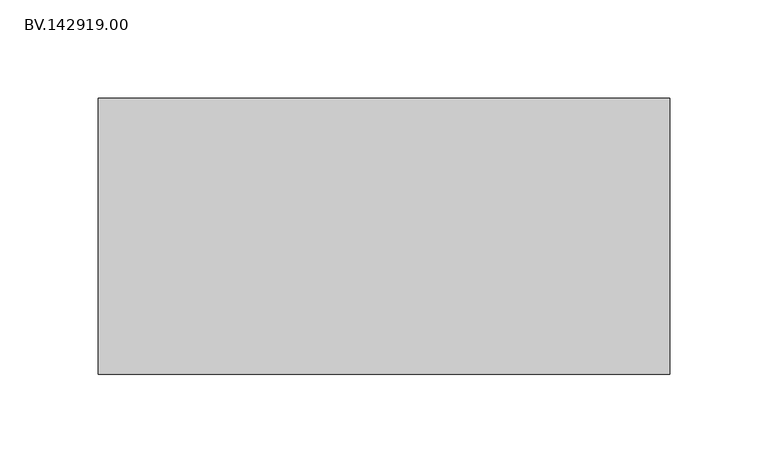
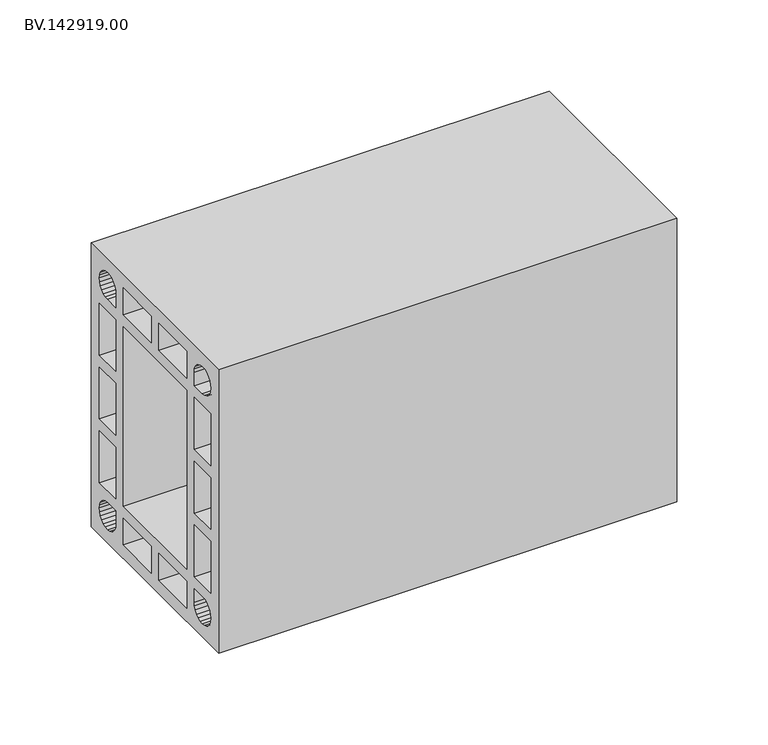
"""IFC4 building model written with IfcOpenShell, lengths in millimetres: proxy geometry, BV.142919.00."""

from ifc_helpers import new_model, si_unit, frame, origin, place, context, project, spatial, polyline, outline, extrude, source, transform, mapped, element, save


def bv_142919_00_2dee89c8(model_context):
    return source(origin(), model_context, "Body", "SweptSolid", [
        extrude(outline(polyline([(-70.0050293, 189.9977051), (70.0050293, 189.9977051), (70.0050293, 0.0), (-70.0050293, 0.0), (-70.0050293, 189.9977051)]), holes=[polyline([(35.0025146, 154.9858887), (-34.9839111, 154.9858887), (-34.9839111, 34.9932129), (35.0025146, 34.9932129), (35.0025146, 154.9858887)]), polyline([(-34.9839111, 162.9854004), (-3.9904541, 162.9854004), (-3.9904541, 180.9936035), (-34.9839111, 180.9936035), (-34.9839111, 162.9854004)]), polyline([(4.0090576, 162.9854004), (35.0025146, 162.9854004), (35.0025146, 180.9936035), (4.0090576, 180.9936035), (4.0090576, 162.9854004)]), polyline([(4.0090576, 26.9937012), (4.0090576, 8.985498), (35.0025146, 8.985498), (35.0025146, 26.9937012), (4.0090576, 26.9937012)]), polyline([(-3.9904541, 26.9937012), (-34.9839111, 26.9937012), (-34.9839111, 8.985498), (-3.9904541, 8.985498), (-3.9904541, 26.9937012)]), polyline([(-51.9875244, 26.9937012), (-54.3129639, 26.6960449), (-56.4895752, 25.7844727), (-58.3499268, 24.352002), (-59.7823975, 22.4916504), (-60.6939697, 20.3150391), (-60.991626, 17.9895996), (-60.6939697, 15.6641602), (-59.7823975, 13.4875488), (-58.3499268, 11.6271973), (-56.4895752, 10.1947266), (-54.3129639, 9.3017578), (-51.9875244, 8.985498), (-49.662085, 9.3017578), (-47.4854736, 10.1947266), (-45.6251221, 11.6271973), (-44.1926514, 13.4875488), (-43.2996826, 15.6641602), (-42.9834229, 17.9895996), (-42.9834229, 26.9937012), (-51.9875244, 26.9937012)]), polyline([(-42.9834229, 112.3280273), (-60.991626, 112.3280273), (-60.991626, 77.6510742), (-42.9834229, 77.6510742), (-42.9834229, 112.3280273)]), polyline([(-60.991626, 154.9858887), (-60.991626, 120.3275391), (-42.9834229, 120.3275391), (-42.9834229, 154.9858887), (-60.991626, 154.9858887)]), polyline([(-60.991626, 69.6515625), (-60.991626, 34.9932129), (-42.9834229, 34.9932129), (-42.9834229, 69.6515625), (-60.991626, 69.6515625)]), polyline([(-51.9875244, 162.9854004), (-42.9834229, 162.9854004), (-42.9834229, 171.989502), (-43.2996826, 174.3149414), (-44.1926514, 176.4915527), (-45.6251221, 178.3519043), (-47.4854736, 179.784375), (-49.662085, 180.6959473), (-51.9875244, 180.9936035), (-54.3129639, 180.6959473), (-56.4895752, 179.784375), (-58.3499268, 178.3519043), (-59.7823975, 176.4915527), (-60.6939697, 174.3149414), (-60.991626, 171.989502), (-60.6939697, 169.6640625), (-59.7823975, 167.4874512), (-58.3499268, 165.6270996), (-56.4895752, 164.1946289), (-54.3129639, 163.3016602), (-51.9875244, 162.9854004)]), polyline([(52.0061279, 162.9854004), (54.3315674, 163.3016602), (56.5081787, 164.1946289), (58.3685303, 165.6270996), (59.801001, 167.4874512), (60.6939697, 169.6640625), (61.0102295, 171.989502), (60.6939697, 174.3149414), (59.801001, 176.4915527), (58.3685303, 178.3519043), (56.5081787, 179.784375), (54.3315674, 180.6959473), (52.0061279, 180.9936035), (49.6806885, 180.6959473), (47.5040771, 179.784375), (45.6437256, 178.3519043), (44.2112549, 176.4915527), (43.3182861, 174.3149414), (43.0020264, 171.989502), (43.0020264, 162.9854004), (52.0061279, 162.9854004)]), polyline([(43.0020264, 120.3275391), (61.0102295, 120.3275391), (61.0102295, 154.9858887), (43.0020264, 154.9858887), (43.0020264, 120.3275391)]), polyline([(43.0020264, 112.3280273), (43.0020264, 77.6510742), (61.0102295, 77.6510742), (61.0102295, 112.3280273), (43.0020264, 112.3280273)]), polyline([(43.0020264, 69.6515625), (43.0020264, 34.9932129), (61.0102295, 34.9932129), (61.0102295, 69.6515625), (43.0020264, 69.6515625)]), polyline([(52.0061279, 26.9937012), (43.0020264, 26.9937012), (43.0020264, 17.9895996), (43.3182861, 15.6641602), (44.2112549, 13.4875488), (45.6437256, 11.6271973), (47.5040771, 10.1947266), (49.6806885, 9.3017578), (52.0061279, 8.985498), (54.3315674, 9.3017578), (56.5081787, 10.1947266), (58.3685303, 11.6271973), (59.801001, 13.4875488), (60.6939697, 15.6641602), (61.0102295, 17.9895996), (60.6939697, 20.3150391), (59.801001, 22.4916504), (58.3685303, 24.352002), (56.5081787, 25.7844727), (54.3315674, 26.6960449), (52.0061279, 26.9937012)])]), frame((5.0, 0.0, 0.0), z_axis=(1.0, 0.0, 0.0), x_axis=(0.0, 1.0, 0.0)), (0.0, 0.0, 1.0), 290.0),
    ])


if __name__ == "__main__":
    model = new_model("IFC4")
    model_context = context("Model", 3, world=origin())
    ifc_project = project(units=[si_unit("LENGTHUNIT", "METRE", prefix="MILLI")], contexts=[model_context])
    site = spatial("IfcSite", under=ifc_project)
    building = spatial("IfcBuilding", under=site)
    placement = place(None, origin())
    bv_142919_00_shape = bv_142919_00_2dee89c8(model_context)
    element("IfcBuildingElementProxy", 1, Name="BV.142919.00", ObjectType="BV.142919.00", at=placement, inside=building, context=model_context, shape_type="MappedRepresentation", body=[
        mapped(bv_142919_00_shape, transform((0.0, 0.0, 0.0), x_axis=(1.0, 0.0, 0.0), y_axis=(0.0, 1.0, 0.0), z_axis=(0.0, 0.0, 1.0))),
    ])
    save(model, "model.ifc")
